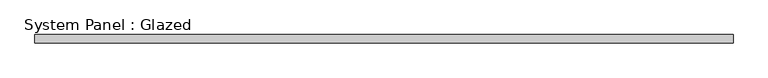
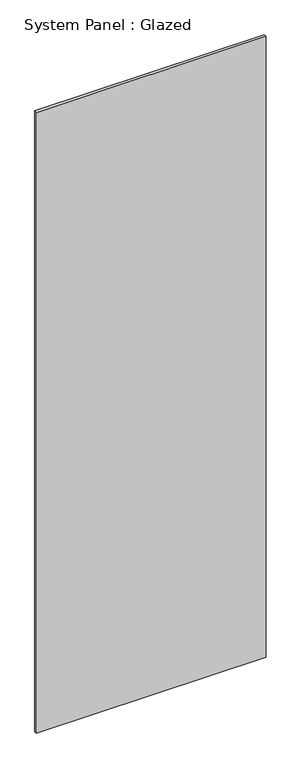
"""IFC4 building model written with IfcOpenShell, lengths in millimetres: plate geometry, System Panel : Glazed."""

from ifc_helpers import new_model, si_unit, origin, origin_with_axes, place, context, project, spatial, polyline, outline, extrude, source, transform, mapped, element, save


def system_panel_glazed_2f5096b3(model_context):
    return source(origin(), model_context, "Body", "SweptSolid", [
        extrude(outline(polyline([(1066.8, 19.05), (-1066.8, 19.05), (-1066.8, 44.45), (1066.8, 44.45), (1066.8, 19.05)])), origin_with_axes(), (0.0, 0.0, 1.0), 6096.0),
    ])


if __name__ == "__main__":
    model = new_model("IFC4")
    model_context = context("Model", 3, world=origin())
    ifc_project = project(units=[si_unit("LENGTHUNIT", "METRE", prefix="MILLI")], contexts=[model_context])
    site = spatial("IfcSite", under=ifc_project)
    building = spatial("IfcBuilding", under=site)
    placement = place(None, origin())
    system_panel_glazed_shape = system_panel_glazed_2f5096b3(model_context)
    element("IfcPlate", 1, ObjectType="System Panel : Glazed", at=placement, inside=building, context=model_context, shape_type="MappedRepresentation", body=[
        mapped(system_panel_glazed_shape, transform((0.0, 0.0, 0.0), x_axis=(1.0, 0.0, 0.0), y_axis=(0.0, 1.0, 0.0), z_axis=(0.0, 0.0, 1.0))),
    ])
    save(model, "model.ifc")
